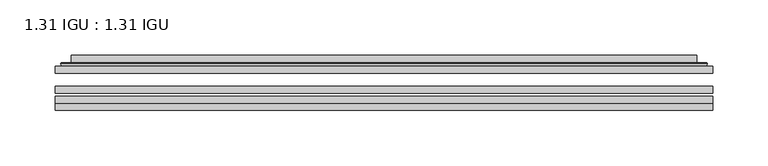
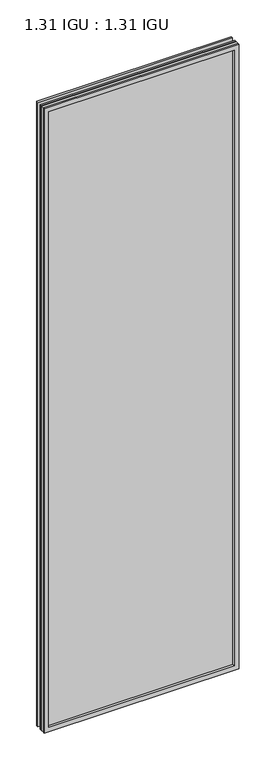
"""IFC4 building model written with IfcOpenShell, lengths in millimetres: plate geometry, 1.31 IGU : 1.31 IGU."""

import ifcopenshell
import ifcopenshell.guid

model = None  # the IFC model being written
_history = None  # IfcOwnerHistory: only IFC2X3 demands one
_inside = {}  # id of a spatial element -> (the spatial element, [elements in it])
_under = {}  # id of a project, library or spatial element -> (it, [spatial elements below it])
_declared = {}  # id of a project -> (the project, [libraries it declares])
_typed = {}  # id of a type object -> (the type object, [elements of that type])
_made_of = {}  # id of a material, layer set ... -> (it, [elements and type objects made of it])


def new_model(schema):
    """Start an empty IFC model of exactly this schema.

    Asked for "IFC4X3", IfcOpenShell would pick the latest addendum, in which some entities
    have other attributes; the version numbers below select the first issue.
    IFC2X3 requires an IfcOwnerHistory on every rooted entity: one is made here for all.
    """
    global model, _history
    if schema == "IFC4X3":
        model = ifcopenshell.file(schema_version=(4, 3, 0, 0))
    else:
        model = ifcopenshell.file(schema=schema)
    _inside.clear()
    _under.clear()
    _declared.clear()
    _typed.clear()
    _made_of.clear()
    _history = None
    if model.schema == "IFC2X3":
        org = make("IfcOrganization", Name="unknown")
        user = make(
            "IfcPersonAndOrganization",
            ThePerson=make("IfcPerson", FamilyName="unknown"),
            TheOrganization=org,
        )
        app = make(
            "IfcApplication",
            ApplicationDeveloper=org,
            Version="unknown",
            ApplicationFullName="unknown",
            ApplicationIdentifier="unknown",
        )
        _history = make(
            "IfcOwnerHistory",
            OwningUser=user,
            OwningApplication=app,
            ChangeAction="ADDED",
            CreationDate=0,
        )
    return model


def make(cls, **values):
    """One entity of the class cls with the attributes given. An attribute that is None is left unset."""
    return model.create_entity(
        cls, **{name: value for name, value in values.items() if value is not None}
    )


def rooted(cls, **values):
    """An entity with a GlobalId (a new one), such as an element, a storey or a relation."""
    return make(cls, GlobalId=ifcopenshell.guid.new(), OwnerHistory=_history, **values)


def si_unit(unit_type, name, prefix=None):
    """IfcSIUnit, for example si_unit("LENGTHUNIT", "METRE", prefix="MILLI")."""
    return make("IfcSIUnit", UnitType=unit_type, Prefix=prefix, Name=name)


def assignment(units):
    """IfcUnitAssignment: the units of a project."""
    return None if units is None else make("IfcUnitAssignment", Units=units)


def point(xyz):
    """IfcCartesianPoint."""
    return None if xyz is None else make("IfcCartesianPoint", Coordinates=xyz)


def direction(xyz):
    """IfcDirection."""
    return None if xyz is None else make("IfcDirection", DirectionRatios=xyz)


def frame(location, z_axis=None, x_axis=None):
    """IfcAxis2Placement3D, a coordinate frame: its origin and axes. An axis left out is left unset."""
    return make(
        "IfcAxis2Placement3D",
        Location=point(location),
        Axis=direction(z_axis),
        RefDirection=direction(x_axis),
    )


def origin():
    """The frame at (0, 0, 0) with its axes left unset."""
    return frame((0.0, 0.0, 0.0))


def place(relative_to, where):
    """IfcLocalPlacement: puts the frame where relative to a parent placement (None: the world)."""
    return make(
        "IfcLocalPlacement", PlacementRelTo=relative_to, RelativePlacement=where
    )


def context(
    kind, dimensions, precision=None, world=None, true_north=None, identifier=None
):
    """IfcGeometricRepresentationContext, for example the 3D "Model" context."""
    return make(
        "IfcGeometricRepresentationContext",
        ContextIdentifier=identifier,
        ContextType=kind,
        CoordinateSpaceDimension=dimensions,
        Precision=precision,
        WorldCoordinateSystem=world,
        TrueNorth=true_north,
    )


def project(units=None, contexts=None):
    """IfcProject with its units and contexts."""
    return rooted(
        "IfcProject",
        Name="project",
        RepresentationContexts=contexts,
        UnitsInContext=assignment(units),
    )


def spatial(cls, under=None, at=None, **own):
    """A site, building, storey or space (cls), placed at a placement, below another one or the project."""
    s = rooted(cls, ObjectPlacement=at, **own)
    if under is not None:
        _under.setdefault(under.id(), (under, []))[1].append(s)
    return s


def polyline(points):
    """IfcPolyline through the points."""
    return make("IfcPolyline", Points=[point(p) for p in points])


def ellipse_curve(where, semi_axis1, semi_axis2):
    """IfcEllipse in the frame where."""
    return make(
        "IfcEllipse", Position=where, SemiAxis1=semi_axis1, SemiAxis2=semi_axis2
    )


def outline(outer, holes=None, kind="AREA"):
    """IfcArbitraryClosedProfileDef: a profile drawn as a closed curve; with holes, ...WithVoids."""
    if holes is None:
        return make("IfcArbitraryClosedProfileDef", ProfileType=kind, OuterCurve=outer)
    return make(
        "IfcArbitraryProfileDefWithVoids",
        ProfileType=kind,
        OuterCurve=outer,
        InnerCurves=holes,
    )


def extrude(swept, where, along, depth):
    """IfcExtrudedAreaSolid: the profile swept, set in the frame where, extruded along a direction by depth."""
    return make(
        "IfcExtrudedAreaSolid",
        SweptArea=swept,
        Position=where,
        ExtrudedDirection=direction(along),
        Depth=depth,
    )


def faces_of(points, faces, orient=None, outer=None):
    """IfcFace entities. A face is a list of loops; a loop is a list of indices into points, from 0.

    orient and outer hold one flag for each loop. By default every Orientation is true, the
    first loop of a face is its IfcFaceOuterBound and the others are IfcFaceBound.
    """
    made = []
    for i, loops in enumerate(faces):
        bounds = []
        for j, loop in enumerate(loops):
            is_outer = j == 0 if outer is None else outer[i][j]
            bounds.append(
                make(
                    "IfcFaceOuterBound" if is_outer else "IfcFaceBound",
                    Bound=make("IfcPolyLoop", Polygon=[points[k] for k in loop]),
                    Orientation=True if orient is None else orient[i][j],
                )
            )
        made.append(make("IfcFace", Bounds=bounds))
    return made


def faceted_brep(points, faces, orient=None, outer=None, voids=None):
    """IfcFacetedBrep: a solid bounded by flat faces; with voids (closed shells), ...WithVoids."""
    shared = [point(p) for p in points]
    hull = make("IfcClosedShell", CfsFaces=faces_of(shared, faces, orient, outer))
    if voids is None:
        return make("IfcFacetedBrep", Outer=hull)
    return make(
        "IfcFacetedBrepWithVoids",
        Outer=hull,
        Voids=[
            make(cls, CfsFaces=faces_of(shared, fs, o, b)) for cls, fs, o, b in voids
        ],
    )


def shape(context_of_items, identifier, shape_type, items):
    """IfcShapeRepresentation: the items that make up one representation, for example the "Body"."""
    return make(
        "IfcShapeRepresentation",
        ContextOfItems=context_of_items,
        RepresentationIdentifier=identifier,
        RepresentationType=shape_type,
        Items=items,
    )


def source(mapping_origin, context_of_items, identifier, shape_type, items):
    """IfcRepresentationMap: a shape defined once, which mapped items show again and again."""
    return make(
        "IfcRepresentationMap",
        MappingOrigin=mapping_origin,
        MappedRepresentation=shape(context_of_items, identifier, shape_type, items),
    )


def transform(
    local_origin,
    x_axis=None,
    y_axis=None,
    z_axis=None,
    scale=None,
    scale2=None,
    scale3=None,
    uniform=True,
):
    """IfcCartesianTransformationOperator3D, or its non-uniform kind. x_axis, y_axis, z_axis: its Axis1, 2, 3."""
    if uniform:
        return make(
            "IfcCartesianTransformationOperator3D",
            Axis1=direction(x_axis),
            Axis2=direction(y_axis),
            LocalOrigin=point(local_origin),
            Scale=scale,
            Axis3=direction(z_axis),
        )
    return make(
        "IfcCartesianTransformationOperator3DnonUniform",
        Axis1=direction(x_axis),
        Axis2=direction(y_axis),
        LocalOrigin=point(local_origin),
        Scale=scale,
        Axis3=direction(z_axis),
        Scale2=scale2,
        Scale3=scale3,
    )


def mapped(mapping_source, mapping_target):
    """IfcMappedItem: shows the shape of a source again, moved by a transform."""
    return make(
        "IfcMappedItem", MappingSource=mapping_source, MappingTarget=mapping_target
    )


def made_of(thing, what):
    """Note that an element or type object is made of a material, layer set ...; save() writes the relation."""
    if what is not None:
        _made_of.setdefault(what.id(), (what, []))[1].append(thing)
    return thing


def element(
    cls,
    number,
    at=None,
    inside=None,
    cuts=None,
    type_object=None,
    material=None,
    context=None,
    identifier="Body",
    shape_type=None,
    held_by="IfcProductDefinitionShape",
    body=None,
    shapes=None,
    **own,
):
    """One element of the class cls, such as IfcWall. Its Tag is "e" and its number.

    at: its placement. inside: the storey or other place that contains it. cuts: it is an
    opening in that element (IfcRelVoidsElement). A single representation is given by context,
    identifier, shape_type and body (its items); several are given by shapes. held_by: the class
    of the entity that holds the representations. save() writes the other relations.
    """
    e = rooted(cls, Tag="e%d" % number, ObjectPlacement=at, **own)
    if body is not None:
        shapes = [shape(context, identifier, shape_type, body)]
    if shapes is not None:
        e.Representation = make(held_by, Representations=shapes)
    if inside is not None:
        _inside.setdefault(inside.id(), (inside, []))[1].append(e)
    if cuts is not None:
        rooted(
            "IfcRelVoidsElement", RelatingBuildingElement=cuts, RelatedOpeningElement=e
        )
    if type_object is not None:
        _typed.setdefault(type_object.id(), (type_object, []))[1].append(e)
    return made_of(e, material)


def aggregate(whole, parts):
    """IfcRelAggregates: a whole, such as a stair, and the parts it consists of."""
    return rooted("IfcRelAggregates", RelatingObject=whole, RelatedObjects=parts)


def save(model, path):
    """Write the relations noted so far, then the file.

    IfcRelAggregates (storeys below a building ...), IfcRelContainedInSpatialStructure (elements
    in a storey), IfcRelDefinesByType, IfcRelAssociatesMaterial and IfcRelDeclares: one each for
    every whole, place, type object, material and project.
    """
    for whole, parts in _under.values():
        aggregate(whole, parts)
    for where, things in _inside.values():
        rooted(
            "IfcRelContainedInSpatialStructure",
            RelatedElements=things,
            RelatingStructure=where,
        )
    for kind, things in _typed.values():
        rooted("IfcRelDefinesByType", RelatedObjects=things, RelatingType=kind)
    for what, things in _made_of.values():
        rooted("IfcRelAssociatesMaterial", RelatedObjects=things, RelatingMaterial=what)
    for by, libraries in _declared.values():
        rooted("IfcRelDeclares", RelatingContext=by, RelatedDefinitions=libraries)
    model.write(path)


def plane_surface(at):
    """IfcPlane: the flat surface through the origin of the frame at, square to its z axis."""
    return make("IfcPlane", Position=at)


def cylinder_surface(at, radius):
    """IfcCylindricalSurface: all points at the distance radius from the z axis of the frame at."""
    return make("IfcCylindricalSurface", Position=at, Radius=radius)


def advanced_brep(points, edges, surfaces, faces):
    """IfcAdvancedBrep: a solid bounded by faces that lie on surfaces and meet in shared edges.

    An edge is (start, end): straight between two places in points (the first is 0);
    or (start, end, curve); or (start, end, curve, False) where it runs against its curve.
    A face is (place in surfaces, loops), or (place, loops, False) where it looks against
    its surface's normal. A loop lists edges by number (the first is 1), with a minus sign
    where the edge is run from its end to its start. The first loop is the outer one.
    """
    corners = [point(p) for p in points]
    vertices = [make("IfcVertexPoint", VertexGeometry=c) for c in corners]
    made = []
    for start, end, *more in edges:
        made.append(
            make(
                "IfcEdgeCurve",
                EdgeStart=vertices[start],
                EdgeEnd=vertices[end],
                EdgeGeometry=more[0] if more else make("IfcPolyline", Points=[corners[start], corners[end]]),
                SameSense=more[1] if len(more) > 1 else True,
            )
        )
    hull = []
    for where, loops, *sense in faces:
        bounds = []
        for j, loop in enumerate(loops):
            ring = [make("IfcOrientedEdge", EdgeElement=made[abs(k) - 1], Orientation=k > 0) for k in loop]
            bounds.append(
                make(
                    "IfcFaceOuterBound" if j == 0 else "IfcFaceBound",
                    Bound=make("IfcEdgeLoop", EdgeList=ring),
                    Orientation=True,
                )
            )
        hull.append(make("IfcAdvancedFace", Bounds=bounds, FaceSurface=surfaces[where], SameSense=sense[0] if sense else True))
    return make("IfcAdvancedBrep", Outer=make("IfcClosedShell", CfsFaces=hull))


def plate_1_31_igu_1_31_igu_38312f23(model_context):
    return source(origin(), model_context, "Body", "SolidModel", [
        extrude(outline(polyline([(296.8798663, -63.2975937), (296.8798663, -69.6475938), (-296.8656913, -69.6475938), (-296.8656913, -63.2975937), (296.8798663, -63.2975937)])), frame((0.0, 0.0, -14.2875), z_axis=(0.0, 0.0, 1.0), x_axis=(1.0, 0.0, 0.0)), (0.0, 0.0, 1.0), 2009.796575),
        extrude(outline(polyline([(-296.8656913, -78.2835938), (-296.8656913, -71.9330887), (296.8798663, -71.9330887), (296.8798663, -78.2835938), (-296.8656913, -78.2835938)])), frame((0.0, 0.0, -14.2875), z_axis=(0.0, 0.0, 1.0), x_axis=(1.0, 0.0, 0.0)), (0.0, 0.0, 1.0), 2009.796575),
        extrude(outline(polyline([(296.8798663, -44.9587937), (296.8798663, -51.3087938), (-296.8656913, -51.3087938), (-296.8656913, -44.9587937), (296.8798663, -44.9587937)])), frame((0.0, 0.0, -14.2875), z_axis=(0.0, 0.0, 1.0), x_axis=(1.0, 0.0, 0.0)), (0.0, 0.0, 1.0), 2009.796575),
        faceted_brep([(-296.8783913, -84.6335937, 1995.5179772), (-296.8783913, -78.2835937, 1995.5179772), (-296.8783913, -78.2835937, -14.3002), (-296.8783913, -84.6335937, -14.3002), (296.8783913, -78.2835937, -14.3002), (296.8783913, -84.6335937, -14.3002), (296.8783913, -78.2835937, 1995.5179772), (296.8783913, -84.6335937, 1995.5179772), (-281.6804472, -78.2835937, 0.8977441), (281.6804472, -78.2835937, 0.8977441), (281.6804472, -78.2835937, 1980.320033), (-281.6804472, -78.2835937, 1980.320033), (-282.5728815, -84.6335937, 1981.2124673), (282.5728815, -84.6335937, 1981.2124673), (282.5728815, -84.6335937, 0.0053098), (-282.5728815, -84.6335937, 0.0053098)], [[[0, 1, 2, 3]], [[3, 2, 4, 5]], [[5, 4, 6, 7]], [[1, 6, 4, 2], [8, 9, 10, 11]], [[7, 6, 1, 0]], [[3, 5, 7, 0], [12, 13, 14, 15]], [[11, 12, 15, 8]], [[8, 15, 14, 9]], [[9, 14, 13, 10]], [[10, 13, 12, 11]]]),
        advanced_brep(
        [(-289.6244103, -44.9587937, 1988.2639962), (-291.9786157, -42.9691271, 1990.6182015), (-291.9786157, -42.9691271, -9.4004244), (-289.6244103, -44.9587937, -7.046219), (-280.5500852, -41.1187568, 1979.1896711), (-275.6152534, -44.9587937, 1974.2548392), (-275.6152534, -44.9587937, 6.9629379), (-280.5500852, -41.1187568, 2.0281061), (-281.582113, -35.7215256, 1980.2216988), (-281.582113, -35.7215256, 0.9960783), (-282.5727697, -35.3225507, 1981.2123556), (-282.5727697, -35.3225507, 0.0054216), (-282.5727697, -41.7837937, 1981.2123556), (-282.5727697, -41.7837937, 0.0054216), (-290.9768262, -41.7837937, 1989.616412), (-290.9768262, -41.7837937, -8.3986349), (291.9786157, -42.9691271, -9.4004244), (289.6244103, -44.9587937, -7.046219), (275.6152534, -44.9587937, 6.9629379), (280.5500852, -41.1187568, 2.0281061), (281.582113, -35.7215256, 0.9960783), (282.5727697, -35.3225507, 0.0054216), (282.5727697, -41.7837937, 0.0054216), (290.9768262, -41.7837937, -8.3986349), (291.9786157, -42.9691271, 1990.6182015), (289.6244103, -44.9587937, 1988.2639962), (275.6152534, -44.9587937, 1974.2548392), (280.5500852, -41.1187568, 1979.1896711), (281.582113, -35.7215256, 1980.2216988), (282.5727697, -35.3225507, 1981.2123556), (282.5727697, -41.7837937, 1981.2123556), (290.9768262, -41.7837937, 1989.616412)],
        [
            (0, 1, ellipse_curve(frame((-289.6244103, -42.5711937, 1988.2639962), z_axis=(-0.7071067811865475, 0.0, -0.7071067811865475), x_axis=(-0.7071067811865474, 0.0, 0.7071067811865476)), 3.3765763, 2.3876)),
            (1, 2),
            (2, 3, ellipse_curve(frame((-289.6244103, -42.5711937, -7.046219), z_axis=(-0.7071067811865475, 0.0, 0.7071067811865475), x_axis=(0.7071067811865474, 0.0, 0.7071067811865476)), 3.3765763, 2.3876)),
            (3, 0),
            (4, 5),
            (5, 6),
            (6, 7),
            (7, 4),
            (8, 4),
            (7, 9),
            (9, 8),
            (10, 8, ellipse_curve(frame((-282.2058132, -35.840786, 1980.845399), z_axis=(-0.7071067811865475, 0.0, -0.7071067811865475), x_axis=(-0.7071067811865474, 0.0, 0.7071067811865476)), 0.8980256, 0.635)),
            (9, 11, ellipse_curve(frame((-282.2058132, -35.840786, 0.3723781), z_axis=(-0.7071067811865475, 0.0, 0.7071067811865475), x_axis=(0.7071067811865474, 0.0, 0.7071067811865476)), 0.8980256, 0.635)),
            (11, 10),
            (12, 10),
            (11, 13),
            (13, 12),
            (1, 14, ellipse_curve(frame((-290.9768262, -42.7997937, 1989.616412), z_axis=(-0.7071067811865475, 0.0, -0.7071067811865475), x_axis=(-0.7071067811865474, 0.0, 0.7071067811865476)), 1.436841, 1.016)),
            (14, 15),
            (15, 2, ellipse_curve(frame((-290.9768262, -42.7997937, -8.3986349), z_axis=(-0.7071067811865475, 0.0, 0.7071067811865475), x_axis=(0.7071067811865474, 0.0, 0.7071067811865476)), 1.436841, 1.016)),
            (2, 16),
            (16, 17, ellipse_curve(frame((289.6244103, -42.5711937, -7.046219), z_axis=(-0.7071067811865475, 0.0, -0.7071067811865475), x_axis=(-0.7071067811865476, 0.0, 0.7071067811865474)), 3.3765763, 2.3876)),
            (17, 3),
            (6, 18),
            (18, 19),
            (19, 7),
            (19, 20),
            (20, 9),
            (20, 21, ellipse_curve(frame((282.2058132, -35.840786, 0.3723781), z_axis=(-0.7071067811865475, 0.0, -0.7071067811865475), x_axis=(-0.7071067811865476, 0.0, 0.7071067811865474)), 0.8980256, 0.635)),
            (21, 11),
            (21, 22),
            (22, 13),
            (15, 23),
            (23, 16, ellipse_curve(frame((290.9768262, -42.7997937, -8.3986349), z_axis=(-0.7071067811865475, 0.0, -0.7071067811865475), x_axis=(-0.7071067811865476, 0.0, 0.7071067811865474)), 1.436841, 1.016)),
            (16, 24),
            (24, 25, ellipse_curve(frame((289.6244103, -42.5711937, 1988.2639962), z_axis=(0.7071067811865475, 0.0, -0.7071067811865475), x_axis=(-0.7071067811865474, 0.0, -0.7071067811865476)), 3.3765763, 2.3876)),
            (25, 17),
            (18, 26),
            (26, 27),
            (27, 19),
            (27, 28),
            (28, 20),
            (28, 29, ellipse_curve(frame((282.2058132, -35.840786, 1980.845399), z_axis=(0.7071067811865475, 0.0, -0.7071067811865475), x_axis=(-0.7071067811865474, 0.0, -0.7071067811865476)), 0.8980256, 0.635)),
            (29, 21),
            (29, 30),
            (30, 22),
            (23, 31),
            (31, 24, ellipse_curve(frame((290.9768262, -42.7997937, 1989.616412), z_axis=(0.7071067811865475, 0.0, -0.7071067811865475), x_axis=(-0.7071067811865474, 0.0, -0.7071067811865476)), 1.436841, 1.016)),
            (24, 1),
            (0, 25),
            (5, 26),
            (4, 27),
            (8, 28),
            (10, 29),
            (12, 30),
            (14, 31),
        ],
        [
            cylinder_surface(frame((-289.6244103, -42.5711937, 2012.9677772), z_axis=(0.0, 0.0, 1.0), x_axis=(-1.0, 0.0, 0.0)), 2.3876),
            plane_surface(frame((-275.6152534, -44.9587937, 1974.2548392), z_axis=(0.6141233906514794, 0.7892100234124821, 0.0), x_axis=(0.0, 0.0, -1.0))),
            plane_surface(frame((-280.5500852, -41.1187568, 1979.1896711), z_axis=(0.9822050625507729, 0.18781164793386076, 0.0), x_axis=(0.0, 0.0, -1.0))),
            cylinder_surface(frame((-282.2058132, -35.840786, 2012.9677772), z_axis=(0.0, 0.0, 1.0), x_axis=(-1.0, 0.0, 0.0)), 0.635),
            plane_surface(frame((-282.5727697, -35.3225507, 1981.2123556), z_axis=(-1.0, 0.0, 0.0), x_axis=(0.0, 0.0, -1.0))),
            cylinder_surface(frame((-290.9768262, -42.7997937, 2012.9677772), z_axis=(0.0, 0.0, 1.0), x_axis=(-1.0, 0.0, 0.0)), 1.016),
            cylinder_surface(frame((-314.3281913, -42.5711937, -7.046219), z_axis=(-1.0, 0.0, 0.0), x_axis=(0.0, 0.0, -1.0)), 2.3876),
            plane_surface(frame((-275.6152534, -44.9587937, 6.9629379), z_axis=(0.0, 0.7892100234124841, 0.6141233906514768), x_axis=(1.0, 0.0, 0.0))),
            plane_surface(frame((-280.5500852, -41.1187568, 2.0281061), z_axis=(0.0, 0.18781164793386393, 0.9822050625507723), x_axis=(1.0, 0.0, 0.0))),
            cylinder_surface(frame((-314.3281913, -35.840786, 0.3723781), z_axis=(-1.0, 0.0, 0.0), x_axis=(0.0, 0.0, -1.0)), 0.635),
            plane_surface(frame((-282.5727697, -35.3225507, 0.0054216), z_axis=(0.0, 0.0, -1.0), x_axis=(1.0, 0.0, 0.0))),
            cylinder_surface(frame((-314.3281913, -42.7997937, -8.3986349), z_axis=(-1.0, 0.0, 0.0), x_axis=(0.0, 0.0, -1.0)), 1.016),
            cylinder_surface(frame((289.6244103, -42.5711937, -31.75), z_axis=(0.0, 0.0, -1.0), x_axis=(1.0, 0.0, 0.0)), 2.3876),
            plane_surface(frame((275.6152534, -44.9587937, 6.9629379), z_axis=(-0.6141233906514743, 0.7892100234124861, 0.0), x_axis=(0.0, 0.0, 1.0))),
            plane_surface(frame((280.5500852, -41.1187568, 2.0281061), z_axis=(-0.9822050625507718, 0.1878116479338671, 0.0), x_axis=(0.0, 0.0, 1.0))),
            cylinder_surface(frame((282.2058132, -35.840786, -31.75), z_axis=(0.0, 0.0, -1.0), x_axis=(1.0, 0.0, 0.0)), 0.635),
            plane_surface(frame((282.5727697, -35.3225507, 0.0054216), z_axis=(1.0, 0.0, 0.0), x_axis=(0.0, 0.0, 1.0))),
            cylinder_surface(frame((290.9768262, -42.7997937, -31.75), z_axis=(0.0, 0.0, -1.0), x_axis=(1.0, 0.0, 0.0)), 1.016),
            cylinder_surface(frame((314.3281913, -42.5711937, 1988.2639962), z_axis=(1.0, 0.0, 0.0), x_axis=(0.0, 0.0, 1.0)), 2.3876),
            plane_surface(frame((289.6244103, -44.9587937, 1988.2639962), z_axis=(0.0, -1.0, 0.0), x_axis=(-1.0, 0.0, 0.0))),
            plane_surface(frame((275.6152534, -44.9587937, 1974.2548392), z_axis=(0.0, 0.7892100234124841, -0.6141233906514768), x_axis=(-1.0, 0.0, 0.0))),
            plane_surface(frame((280.5500852, -41.1187568, 1979.1896711), z_axis=(0.0, 0.18781164793386393, -0.9822050625507723), x_axis=(-1.0, 0.0, 0.0))),
            cylinder_surface(frame((314.3281913, -35.840786, 1980.845399), z_axis=(1.0, 0.0, 0.0), x_axis=(0.0, 0.0, 1.0)), 0.635),
            plane_surface(frame((282.5727697, -35.3225507, 1981.2123556), z_axis=(0.0, 0.0, 1.0), x_axis=(-1.0, 0.0, 0.0))),
            plane_surface(frame((282.5727697, -41.7837937, 1981.2123556), z_axis=(0.0, 1.0, 0.0), x_axis=(-1.0, 0.0, 0.0))),
            cylinder_surface(frame((314.3281913, -42.7997937, 1989.616412), z_axis=(1.0, 0.0, 0.0), x_axis=(0.0, 0.0, 1.0)), 1.016),
        ],
        [
            (0, [[1, 2, 3, 4]]),
            (1, [[5, 6, 7, 8]]),
            (2, [[9, -8, 10, 11]]),
            (3, [[12, -11, 13, 14]]),
            (4, [[15, -14, 16, 17]]),
            (5, [[18, 19, 20, -2]]),
            (6, [[-3, 21, 22, 23]]),
            (7, [[-7, 24, 25, 26]]),
            (8, [[-10, -26, 27, 28]]),
            (9, [[-13, -28, 29, 30]]),
            (10, [[-16, -30, 31, 32]]),
            (11, [[-20, 33, 34, -21]]),
            (12, [[-22, 35, 36, 37]]),
            (13, [[-25, 38, 39, 40]]),
            (14, [[-27, -40, 41, 42]]),
            (15, [[-29, -42, 43, 44]]),
            (16, [[-31, -44, 45, 46]]),
            (17, [[-34, 47, 48, -35]]),
            (18, [[-36, 49, -1, 50]]),
            (19, [[-23, -37, -50, -4], [51, -38, -24, -6]]),
            (20, [[-39, -51, -5, 52]]),
            (21, [[-41, -52, -9, 53]]),
            (22, [[-43, -53, -12, 54]]),
            (23, [[-45, -54, -15, 55]]),
            (24, [[56, -47, -33, -19], [-32, -46, -55, -17]]),
            (25, [[-48, -56, -18, -49]]),
        ],
    ),
    ])


if __name__ == "__main__":
    model = new_model("IFC4")
    model_context = context("Model", 3, world=origin())
    ifc_project = project(units=[si_unit("LENGTHUNIT", "METRE", prefix="MILLI")], contexts=[model_context])
    site = spatial("IfcSite", under=ifc_project)
    building = spatial("IfcBuilding", under=site)
    placement = place(None, origin())
    plate_1_31_igu_1_31_igu_shape = plate_1_31_igu_1_31_igu_38312f23(model_context)
    element("IfcPlate", 1, ObjectType="1.31 IGU : 1.31 IGU", at=placement, inside=building, context=model_context, shape_type="MappedRepresentation", body=[
        mapped(plate_1_31_igu_1_31_igu_shape, transform((0.0, 0.0, 0.0), x_axis=(1.0, 0.0, 0.0), y_axis=(0.0, 1.0, 0.0), z_axis=(0.0, 0.0, 1.0))),
    ])
    save(model, "model.ifc")
